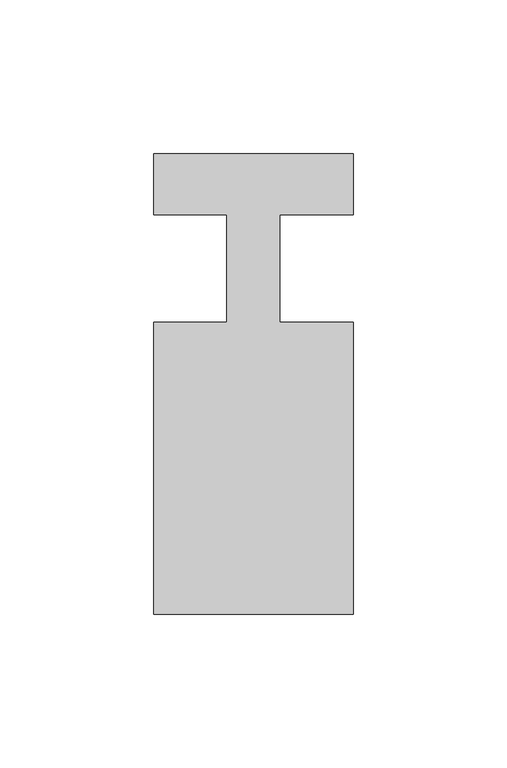
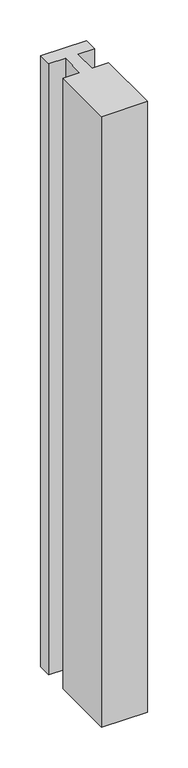
"""IFC4 building model written with IfcOpenShell, lengths in millimetres: member geometry."""

from ifc_helpers import new_model, si_unit, frame, origin, place, context, project, spatial, polyline, outline, extrude, source, transform, mapped, element, save


def member_fdc3d505(model_context):
    return source(origin(), model_context, "Body", "SweptSolid", [
        extrude(outline(polyline([(-65.0, 37.0), (0.0, 37.0), (0.0, 17.0), (-23.8125, 17.0), (-23.8125, -18.0), (0.0, -18.0), (0.0, -113.0), (-65.0, -113.0), (-65.0, -18.0), (-41.1875, -18.0), (-41.1875, 17.0), (-65.0, 17.0), (-65.0, 37.0)])), frame((0.0, 0.0, -916.1875), z_axis=(0.0, 0.0, 1.0), x_axis=(1.0, 0.0, 0.0)), (0.0, 0.0, 1.0), 916.1875),
    ])


if __name__ == "__main__":
    model = new_model("IFC4")
    model_context = context("Model", 3, world=origin())
    ifc_project = project(units=[si_unit("LENGTHUNIT", "METRE", prefix="MILLI")], contexts=[model_context])
    site = spatial("IfcSite", under=ifc_project)
    building = spatial("IfcBuilding", under=site)
    placement = place(None, origin())
    member_shape = member_fdc3d505(model_context)
    element("IfcMember", 1, at=placement, inside=building, context=model_context, shape_type="MappedRepresentation", body=[
        mapped(member_shape, transform((0.0, 0.0, 0.0), x_axis=(1.0, 0.0, 0.0), y_axis=(0.0, 1.0, 0.0), z_axis=(0.0, 0.0, 1.0))),
    ])
    save(model, "model.ifc")
